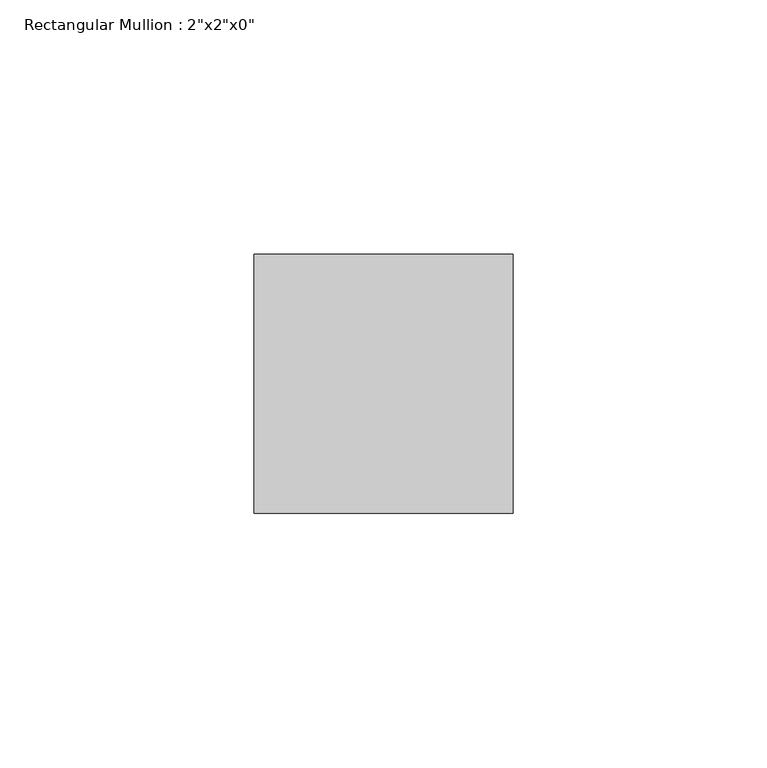
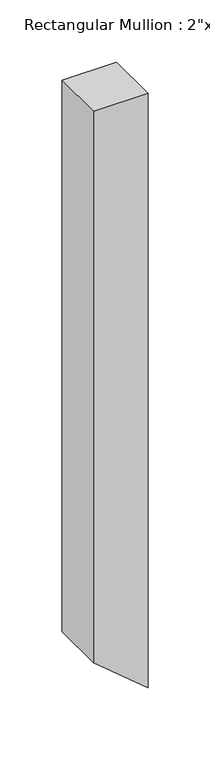
"""IFC4 building model written with IfcOpenShell, lengths in millimetres: member geometry."""

from ifc_helpers import new_model, si_unit, frame, origin, place, context, project, spatial, polyline, outline, extrude, source, transform, mapped, element, save


def member_fa5813f8(model_context):
    return source(origin(), model_context, "Body", "SweptSolid", [
        extrude(outline(polyline([(0.0, 0.0), (0.0, -50.8), (-542.2556816, -50.8), (-584.5238365, 0.0), (0.0, 0.0)])), frame((0.0, -25.4, 0.0), z_axis=(0.0, 1.0, 0.0), x_axis=(0.0, 0.0, 1.0)), (0.0, 0.0, 1.0), 50.8),
    ])


if __name__ == "__main__":
    model = new_model("IFC4")
    model_context = context("Model", 3, world=origin())
    ifc_project = project(units=[si_unit("LENGTHUNIT", "METRE", prefix="MILLI")], contexts=[model_context])
    site = spatial("IfcSite", under=ifc_project)
    building = spatial("IfcBuilding", under=site)
    placement = place(None, origin())
    member_shape = member_fa5813f8(model_context)
    element("IfcMember", 1, ObjectType="Rectangular Mullion : 2\"x2\"x0\"", at=placement, inside=building, context=model_context, shape_type="MappedRepresentation", body=[
        mapped(member_shape, transform((0.0, 0.0, 0.0), x_axis=(1.0, 0.0, 0.0), y_axis=(0.0, 1.0, 0.0), z_axis=(0.0, 0.0, 1.0))),
    ])
    save(model, "model.ifc")
